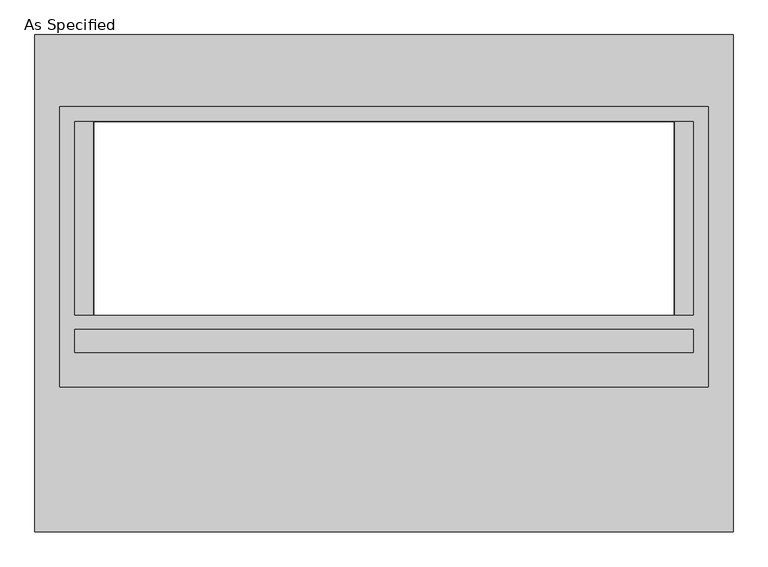
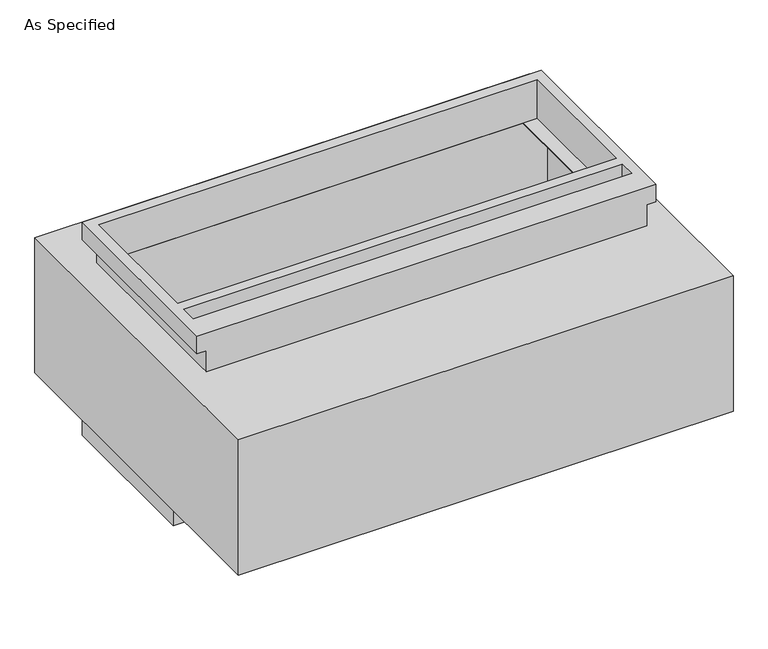
"""IFC4 building model written with IfcOpenShell, lengths in millimetres: proxy geometry, As Specified."""

import ifcopenshell
import ifcopenshell.guid

model = None  # the IFC model being written
_history = None  # IfcOwnerHistory: only IFC2X3 demands one
_inside = {}  # id of a spatial element -> (the spatial element, [elements in it])
_under = {}  # id of a project, library or spatial element -> (it, [spatial elements below it])
_declared = {}  # id of a project -> (the project, [libraries it declares])
_typed = {}  # id of a type object -> (the type object, [elements of that type])
_made_of = {}  # id of a material, layer set ... -> (it, [elements and type objects made of it])


def new_model(schema):
    """Start an empty IFC model of exactly this schema.

    Asked for "IFC4X3", IfcOpenShell would pick the latest addendum, in which some entities
    have other attributes; the version numbers below select the first issue.
    IFC2X3 requires an IfcOwnerHistory on every rooted entity: one is made here for all.
    """
    global model, _history
    if schema == "IFC4X3":
        model = ifcopenshell.file(schema_version=(4, 3, 0, 0))
    else:
        model = ifcopenshell.file(schema=schema)
    _inside.clear()
    _under.clear()
    _declared.clear()
    _typed.clear()
    _made_of.clear()
    _history = None
    if model.schema == "IFC2X3":
        org = make("IfcOrganization", Name="unknown")
        user = make(
            "IfcPersonAndOrganization",
            ThePerson=make("IfcPerson", FamilyName="unknown"),
            TheOrganization=org,
        )
        app = make(
            "IfcApplication",
            ApplicationDeveloper=org,
            Version="unknown",
            ApplicationFullName="unknown",
            ApplicationIdentifier="unknown",
        )
        _history = make(
            "IfcOwnerHistory",
            OwningUser=user,
            OwningApplication=app,
            ChangeAction="ADDED",
            CreationDate=0,
        )
    return model


def make(cls, **values):
    """One entity of the class cls with the attributes given. An attribute that is None is left unset."""
    return model.create_entity(
        cls, **{name: value for name, value in values.items() if value is not None}
    )


def rooted(cls, **values):
    """An entity with a GlobalId (a new one), such as an element, a storey or a relation."""
    return make(cls, GlobalId=ifcopenshell.guid.new(), OwnerHistory=_history, **values)


def si_unit(unit_type, name, prefix=None):
    """IfcSIUnit, for example si_unit("LENGTHUNIT", "METRE", prefix="MILLI")."""
    return make("IfcSIUnit", UnitType=unit_type, Prefix=prefix, Name=name)


def assignment(units):
    """IfcUnitAssignment: the units of a project."""
    return None if units is None else make("IfcUnitAssignment", Units=units)


def point(xyz):
    """IfcCartesianPoint."""
    return None if xyz is None else make("IfcCartesianPoint", Coordinates=xyz)


def direction(xyz):
    """IfcDirection."""
    return None if xyz is None else make("IfcDirection", DirectionRatios=xyz)


def frame(location, z_axis=None, x_axis=None):
    """IfcAxis2Placement3D, a coordinate frame: its origin and axes. An axis left out is left unset."""
    return make(
        "IfcAxis2Placement3D",
        Location=point(location),
        Axis=direction(z_axis),
        RefDirection=direction(x_axis),
    )


def origin():
    """The frame at (0, 0, 0) with its axes left unset."""
    return frame((0.0, 0.0, 0.0))


def place(relative_to, where):
    """IfcLocalPlacement: puts the frame where relative to a parent placement (None: the world)."""
    return make(
        "IfcLocalPlacement", PlacementRelTo=relative_to, RelativePlacement=where
    )


def context(
    kind, dimensions, precision=None, world=None, true_north=None, identifier=None
):
    """IfcGeometricRepresentationContext, for example the 3D "Model" context."""
    return make(
        "IfcGeometricRepresentationContext",
        ContextIdentifier=identifier,
        ContextType=kind,
        CoordinateSpaceDimension=dimensions,
        Precision=precision,
        WorldCoordinateSystem=world,
        TrueNorth=true_north,
    )


def project(units=None, contexts=None):
    """IfcProject with its units and contexts."""
    return rooted(
        "IfcProject",
        Name="project",
        RepresentationContexts=contexts,
        UnitsInContext=assignment(units),
    )


def spatial(cls, under=None, at=None, **own):
    """A site, building, storey or space (cls), placed at a placement, below another one or the project."""
    s = rooted(cls, ObjectPlacement=at, **own)
    if under is not None:
        _under.setdefault(under.id(), (under, []))[1].append(s)
    return s


def polyline(points):
    """IfcPolyline through the points."""
    return make("IfcPolyline", Points=[point(p) for p in points])


def circle_curve(where, radius):
    """IfcCircle in the frame where."""
    return make("IfcCircle", Position=where, Radius=radius)


def faces_of(points, faces, orient=None, outer=None):
    """IfcFace entities. A face is a list of loops; a loop is a list of indices into points, from 0.

    orient and outer hold one flag for each loop. By default every Orientation is true, the
    first loop of a face is its IfcFaceOuterBound and the others are IfcFaceBound.
    """
    made = []
    for i, loops in enumerate(faces):
        bounds = []
        for j, loop in enumerate(loops):
            is_outer = j == 0 if outer is None else outer[i][j]
            bounds.append(
                make(
                    "IfcFaceOuterBound" if is_outer else "IfcFaceBound",
                    Bound=make("IfcPolyLoop", Polygon=[points[k] for k in loop]),
                    Orientation=True if orient is None else orient[i][j],
                )
            )
        made.append(make("IfcFace", Bounds=bounds))
    return made


def faceted_brep(points, faces, orient=None, outer=None, voids=None):
    """IfcFacetedBrep: a solid bounded by flat faces; with voids (closed shells), ...WithVoids."""
    shared = [point(p) for p in points]
    hull = make("IfcClosedShell", CfsFaces=faces_of(shared, faces, orient, outer))
    if voids is None:
        return make("IfcFacetedBrep", Outer=hull)
    return make(
        "IfcFacetedBrepWithVoids",
        Outer=hull,
        Voids=[
            make(cls, CfsFaces=faces_of(shared, fs, o, b)) for cls, fs, o, b in voids
        ],
    )


def shape(context_of_items, identifier, shape_type, items):
    """IfcShapeRepresentation: the items that make up one representation, for example the "Body"."""
    return make(
        "IfcShapeRepresentation",
        ContextOfItems=context_of_items,
        RepresentationIdentifier=identifier,
        RepresentationType=shape_type,
        Items=items,
    )


def source(mapping_origin, context_of_items, identifier, shape_type, items):
    """IfcRepresentationMap: a shape defined once, which mapped items show again and again."""
    return make(
        "IfcRepresentationMap",
        MappingOrigin=mapping_origin,
        MappedRepresentation=shape(context_of_items, identifier, shape_type, items),
    )


def transform(
    local_origin,
    x_axis=None,
    y_axis=None,
    z_axis=None,
    scale=None,
    scale2=None,
    scale3=None,
    uniform=True,
):
    """IfcCartesianTransformationOperator3D, or its non-uniform kind. x_axis, y_axis, z_axis: its Axis1, 2, 3."""
    if uniform:
        return make(
            "IfcCartesianTransformationOperator3D",
            Axis1=direction(x_axis),
            Axis2=direction(y_axis),
            LocalOrigin=point(local_origin),
            Scale=scale,
            Axis3=direction(z_axis),
        )
    return make(
        "IfcCartesianTransformationOperator3DnonUniform",
        Axis1=direction(x_axis),
        Axis2=direction(y_axis),
        LocalOrigin=point(local_origin),
        Scale=scale,
        Axis3=direction(z_axis),
        Scale2=scale2,
        Scale3=scale3,
    )


def mapped(mapping_source, mapping_target):
    """IfcMappedItem: shows the shape of a source again, moved by a transform."""
    return make(
        "IfcMappedItem", MappingSource=mapping_source, MappingTarget=mapping_target
    )


def made_of(thing, what):
    """Note that an element or type object is made of a material, layer set ...; save() writes the relation."""
    if what is not None:
        _made_of.setdefault(what.id(), (what, []))[1].append(thing)
    return thing


def element(
    cls,
    number,
    at=None,
    inside=None,
    cuts=None,
    type_object=None,
    material=None,
    context=None,
    identifier="Body",
    shape_type=None,
    held_by="IfcProductDefinitionShape",
    body=None,
    shapes=None,
    **own,
):
    """One element of the class cls, such as IfcWall. Its Tag is "e" and its number.

    at: its placement. inside: the storey or other place that contains it. cuts: it is an
    opening in that element (IfcRelVoidsElement). A single representation is given by context,
    identifier, shape_type and body (its items); several are given by shapes. held_by: the class
    of the entity that holds the representations. save() writes the other relations.
    """
    e = rooted(cls, Tag="e%d" % number, ObjectPlacement=at, **own)
    if body is not None:
        shapes = [shape(context, identifier, shape_type, body)]
    if shapes is not None:
        e.Representation = make(held_by, Representations=shapes)
    if inside is not None:
        _inside.setdefault(inside.id(), (inside, []))[1].append(e)
    if cuts is not None:
        rooted(
            "IfcRelVoidsElement", RelatingBuildingElement=cuts, RelatedOpeningElement=e
        )
    if type_object is not None:
        _typed.setdefault(type_object.id(), (type_object, []))[1].append(e)
    return made_of(e, material)


def aggregate(whole, parts):
    """IfcRelAggregates: a whole, such as a stair, and the parts it consists of."""
    return rooted("IfcRelAggregates", RelatingObject=whole, RelatedObjects=parts)


def save(model, path):
    """Write the relations noted so far, then the file.

    IfcRelAggregates (storeys below a building ...), IfcRelContainedInSpatialStructure (elements
    in a storey), IfcRelDefinesByType, IfcRelAssociatesMaterial and IfcRelDeclares: one each for
    every whole, place, type object, material and project.
    """
    for whole, parts in _under.values():
        aggregate(whole, parts)
    for where, things in _inside.values():
        rooted(
            "IfcRelContainedInSpatialStructure",
            RelatedElements=things,
            RelatingStructure=where,
        )
    for kind, things in _typed.values():
        rooted("IfcRelDefinesByType", RelatedObjects=things, RelatingType=kind)
    for what, things in _made_of.values():
        rooted("IfcRelAssociatesMaterial", RelatedObjects=things, RelatingMaterial=what)
    for by, libraries in _declared.values():
        rooted("IfcRelDeclares", RelatingContext=by, RelatedDefinitions=libraries)
    model.write(path)


def plane_surface(at):
    """IfcPlane: the flat surface through the origin of the frame at, square to its z axis."""
    return make("IfcPlane", Position=at)


def revolved_surface(curve, axis_point, axis_direction):
    """IfcSurfaceOfRevolution: the curve turned about the line through axis_point along axis_direction."""
    return make(
        "IfcSurfaceOfRevolution",
        SweptCurve=make("IfcArbitraryOpenProfileDef", ProfileType="CURVE", Curve=curve),
        AxisPosition=make("IfcAxis1Placement", Location=point(axis_point), Axis=direction(axis_direction)),
    )


def advanced_brep(points, edges, surfaces, faces):
    """IfcAdvancedBrep: a solid bounded by faces that lie on surfaces and meet in shared edges.

    An edge is (start, end): straight between two places in points (the first is 0);
    or (start, end, curve); or (start, end, curve, False) where it runs against its curve.
    A face is (place in surfaces, loops), or (place, loops, False) where it looks against
    its surface's normal. A loop lists edges by number (the first is 1), with a minus sign
    where the edge is run from its end to its start. The first loop is the outer one.
    """
    corners = [point(p) for p in points]
    vertices = [make("IfcVertexPoint", VertexGeometry=c) for c in corners]
    made = []
    for start, end, *more in edges:
        made.append(
            make(
                "IfcEdgeCurve",
                EdgeStart=vertices[start],
                EdgeEnd=vertices[end],
                EdgeGeometry=more[0] if more else make("IfcPolyline", Points=[corners[start], corners[end]]),
                SameSense=more[1] if len(more) > 1 else True,
            )
        )
    hull = []
    for where, loops, *sense in faces:
        bounds = []
        for j, loop in enumerate(loops):
            ring = [make("IfcOrientedEdge", EdgeElement=made[abs(k) - 1], Orientation=k > 0) for k in loop]
            bounds.append(
                make(
                    "IfcFaceOuterBound" if j == 0 else "IfcFaceBound",
                    Bound=make("IfcEdgeLoop", EdgeList=ring),
                    Orientation=True,
                )
            )
        hull.append(make("IfcAdvancedFace", Bounds=bounds, FaceSurface=surfaces[where], SameSense=sense[0] if sense else True))
    return make("IfcAdvancedBrep", Outer=make("IfcClosedShell", CfsFaces=hull))


def as_specified_d4ae8bfc(model_context):
    return source(origin(), model_context, "Body", "SolidModel", [
        faceted_brep([(850.9, 464.2941406, -682.7242188), (850.9, -119.9058594, -682.7242188), (-850.9, -119.9058594, -682.7242188), (-850.9, 464.2941406, -682.7242188), (812.8, -83.3933594, -682.7242188), (812.8, 424.6066406, -682.7242188), (-812.8, 424.6066406, -682.7242188), (-812.8, -83.3933594, -682.7242188), (-815.975, -119.9058594, -530.3242188), (815.975, -119.9058594, -530.3242188), (815.975, 429.3691406, -530.3242188), (-815.975, 429.3691406, -530.3242188), (812.8, 424.6066406, -530.3242188), (812.8, -83.3933594, -530.3242188), (-812.8, -83.3933594, -530.3242188), (-812.8, 424.6066406, -530.3242188), (-850.9, 464.2941406, -612.8742188), (850.9, 464.2941406, -612.8742188), (-850.9, -119.9058594, -612.8742188), (850.9, -119.9058594, -612.8742188), (815.975, -119.9058594, -612.8742188), (-815.975, -119.9058594, -612.8742188), (-815.975, 429.3691406, -612.8742188), (815.975, 429.3691406, -612.8742188)], [[[0, 1, 2, 3], [4, 5, 6, 7]], [[8, 9, 10, 11], [12, 13, 14, 15]], [[0, 3, 16, 17]], [[3, 2, 18, 16]], [[2, 1, 19, 20, 9, 8, 21, 18]], [[1, 0, 17, 19]], [[22, 23, 20, 19, 17, 16, 18, 21]], [[23, 10, 9, 20]], [[23, 22, 11, 10]], [[11, 22, 21, 8]], [[12, 5, 4, 13]], [[13, 4, 7, 14]], [[14, 7, 6, 15]], [[5, 12, 15, 6]]]),
        advanced_brep(
        [(916.78125, 653.3058594, -530.3242188), (916.78125, -653.3058594, -530.3242188), (-916.78125, -653.3058594, -530.3242188), (-916.78125, 653.3058594, -530.3242188), (762.0, -83.3933594, -530.3242188), (762.0, 424.6066406, -530.3242188), (-762.0, 424.6066406, -530.3242188), (-762.0, -83.3933594, -530.3242188), (916.78125, 653.3058594, 0.0), (-916.78125, 653.3058594, 0.0), (-916.78125, -653.3058594, 0.0), (916.78125, -653.3058594, 0.0), (762.0, 424.6066406, 0.0), (762.0, -83.3933594, 0.0), (-762.0, -83.3933594, 0.0), (-762.0, 424.6066406, 0.0), (916.78125, -272.3058594, -430.3117188), (916.78125, -294.5308594, -430.3117188), (916.78125, -170.7058594, -430.3117188), (916.78125, -192.9308594, -430.3117188), (916.78125, -272.3058594, -100.1117188), (916.78125, -294.5308594, -100.1117188), (916.78125, -170.7058594, -100.1117188), (916.78125, -192.9308594, -100.1117188), (-850.9, 424.6066406, -527.05), (-850.9, -83.3933594, -527.05), (-762.0, -83.3933594, -527.05), (-762.0, 424.6066406, -527.05), (850.9, -83.3933594, -527.05), (850.9, 424.6066406, -527.05), (762.0, 424.6066406, -527.05), (762.0, -83.3933594, -527.05), (850.9, 424.6066406, -3.175), (850.9, -83.3933594, -3.175), (762.0, -83.3933594, -3.175), (762.0, 424.6066406, -3.175), (-850.9, -83.3933594, -3.175), (-850.9, 424.6066406, -3.175), (-762.0, 424.6066406, -3.175), (-762.0, -83.3933594, -3.175), (900.928271, -294.5308594, -430.3117188), (900.928271, -272.3058594, -430.3117188), (900.928271, -192.9308594, -430.3117188), (900.928271, -170.7058594, -430.3117188), (900.928271, -294.5308594, -100.1117188), (900.928271, -272.3058594, -100.1117188), (900.928271, -192.9308594, -100.1117188), (900.928271, -170.7058594, -100.1117188)],
        [
            (0, 1),
            (1, 2),
            (2, 3),
            (3, 0),
            (4, 5),
            (5, 6),
            (6, 7),
            (7, 4),
            (8, 9),
            (9, 10),
            (10, 11),
            (11, 8),
            (12, 13),
            (13, 14),
            (14, 15),
            (15, 12),
            (3, 9),
            (8, 0),
            (2, 10),
            (1, 11),
            (16, 17, circle_curve(frame((916.78125, -283.4183594, -430.3117188), z_axis=(-1.0, 0.0, 0.0), x_axis=(0.0, 1.0, 0.0)), 11.1125)),
            (17, 16, circle_curve(frame((916.78125, -283.4183594, -430.3117188), z_axis=(-1.0, 0.0, 0.0), x_axis=(0.0, 1.0, 0.0)), 11.1125)),
            (18, 19, circle_curve(frame((916.78125, -181.8183594, -430.3117188), z_axis=(-1.0, 0.0, 0.0), x_axis=(0.0, 1.0, 0.0)), 11.1125)),
            (19, 18, circle_curve(frame((916.78125, -181.8183594, -430.3117188), z_axis=(-1.0, 0.0, 0.0), x_axis=(0.0, 1.0, 0.0)), 11.1125)),
            (20, 21, circle_curve(frame((916.78125, -283.4183594, -100.1117188), z_axis=(-1.0, 0.0, 0.0), x_axis=(0.0, 1.0, 0.0)), 11.1125)),
            (21, 20, circle_curve(frame((916.78125, -283.4183594, -100.1117188), z_axis=(-1.0, 0.0, 0.0), x_axis=(0.0, 1.0, 0.0)), 11.1125)),
            (22, 23, circle_curve(frame((916.78125, -181.8183594, -100.1117188), z_axis=(-1.0, 0.0, 0.0), x_axis=(0.0, 1.0, 0.0)), 11.1125)),
            (23, 22, circle_curve(frame((916.78125, -181.8183594, -100.1117188), z_axis=(-1.0, 0.0, 0.0), x_axis=(0.0, 1.0, 0.0)), 11.1125)),
            (24, 25),
            (25, 26),
            (26, 27),
            (27, 24),
            (28, 29),
            (29, 30),
            (30, 31),
            (31, 28),
            (32, 33),
            (33, 34),
            (34, 35),
            (35, 32),
            (36, 37),
            (37, 38),
            (38, 39),
            (39, 36),
            (28, 33),
            (32, 29),
            (31, 4),
            (7, 26),
            (25, 36),
            (39, 14),
            (13, 34),
            (24, 37),
            (35, 12),
            (15, 38),
            (27, 6),
            (5, 30),
            (40, 41, circle_curve(frame((900.928271, -283.4183594, -430.3117188), z_axis=(1.0, 0.0, 0.0), x_axis=(0.0, 1.0, 0.0)), 11.1125)),
            (41, 40, circle_curve(frame((900.928271, -283.4183594, -430.3117188), z_axis=(1.0, 0.0, 0.0), x_axis=(0.0, 1.0, 0.0)), 11.1125)),
            (42, 43, circle_curve(frame((900.928271, -181.8183594, -430.3117188), z_axis=(1.0, 0.0, 0.0), x_axis=(0.0, 1.0, 0.0)), 11.1125)),
            (43, 42, circle_curve(frame((900.928271, -181.8183594, -430.3117188), z_axis=(1.0, 0.0, 0.0), x_axis=(0.0, 1.0, 0.0)), 11.1125)),
            (44, 45, circle_curve(frame((900.928271, -283.4183594, -100.1117188), z_axis=(1.0, 0.0, 0.0), x_axis=(0.0, 1.0, 0.0)), 11.1125)),
            (45, 44, circle_curve(frame((900.928271, -283.4183594, -100.1117188), z_axis=(1.0, 0.0, 0.0), x_axis=(0.0, 1.0, 0.0)), 11.1125)),
            (46, 47, circle_curve(frame((900.928271, -181.8183594, -100.1117188), z_axis=(1.0, 0.0, 0.0), x_axis=(0.0, 1.0, 0.0)), 11.1125)),
            (47, 46, circle_curve(frame((900.928271, -181.8183594, -100.1117188), z_axis=(1.0, 0.0, 0.0), x_axis=(0.0, 1.0, 0.0)), 11.1125)),
            (40, 17),
            (16, 41),
            (42, 19),
            (18, 43),
            (44, 21),
            (20, 45),
            (46, 23),
            (22, 47),
        ],
        [
            plane_surface(frame((-916.78125, 653.3058594, -530.3242188), z_axis=(0.0, 0.0, -1.0), x_axis=(1.0, 0.0, 0.0))),
            plane_surface(frame((-916.78125, 653.3058594, 0.0), z_axis=(0.0, 0.0, 1.0), x_axis=(-1.0, 0.0, 0.0))),
            plane_surface(frame((916.78125, 653.3058594, 0.0), z_axis=(0.0, 1.0, 0.0), x_axis=(0.0, 0.0, -1.0))),
            plane_surface(frame((-916.78125, 653.3058594, 0.0), z_axis=(-1.0, 0.0, 0.0), x_axis=(0.0, 0.0, -1.0))),
            plane_surface(frame((-916.78125, -653.3058594, 0.0), z_axis=(0.0, -1.0, 0.0), x_axis=(0.0, 0.0, -1.0))),
            plane_surface(frame((916.78125, -653.3058594, 0.0), z_axis=(1.0, 0.0, 0.0), x_axis=(0.0, 0.0, -1.0))),
            plane_surface(frame((850.9, 424.6066406, -527.05), z_axis=(0.0, 0.0, 1.0), x_axis=(0.0, -1.0, 0.0))),
            plane_surface(frame((850.9, 424.6066406, -3.175), z_axis=(0.0, 0.0, -1.0), x_axis=(0.0, 1.0, 0.0))),
            plane_surface(frame((850.9, 424.6066406, -527.05), z_axis=(-1.0, 0.0, 0.0), x_axis=(0.0, 0.0, 1.0))),
            plane_surface(frame((850.9, -83.3933594, -527.05), z_axis=(0.0, 1.0, 0.0), x_axis=(0.0, 0.0, 1.0))),
            plane_surface(frame((-850.9, -83.3933594, -527.05), z_axis=(1.0, 0.0, 0.0), x_axis=(0.0, 0.0, 1.0))),
            plane_surface(frame((-850.9, 424.6066406, -527.05), z_axis=(0.0, -1.0, 0.0), x_axis=(0.0, 0.0, 1.0))),
            plane_surface(frame((762.0, 424.6066406, -25.4), z_axis=(-1.0, 0.0, 0.0), x_axis=(0.0, 0.0, 1.0))),
            plane_surface(frame((-762.0, -83.3933594, -25.4), z_axis=(1.0, 0.0, 0.0), x_axis=(0.0, 0.0, 1.0))),
            plane_surface(frame((900.928271, -272.3058594, -430.3117188), z_axis=(1.0, 0.0, 0.0), x_axis=(0.0, 0.0, -1.0))),
            revolved_surface(polyline([(916.78125, -272.3058594, -430.3117188), (900.928271, -272.3058594, -430.3117188)]), (900.928271, -283.4183594, -430.3117188), (1.0, 0.0, 0.0)),
            revolved_surface(polyline([(916.78125, -170.70585939999998, -430.3117188), (900.928271, -170.70585939999998, -430.3117188)]), (0.0, -181.8183594, -430.3117188), (1.0, 0.0, 0.0)),
            revolved_surface(polyline([(916.78125, -272.3058594, -100.1117188), (900.928271, -272.3058594, -100.1117188)]), (0.0, -283.4183594, -100.1117188), (1.0, 0.0, 0.0)),
            revolved_surface(polyline([(916.78125, -170.70585939999998, -100.1117188), (900.928271, -170.70585939999998, -100.1117188)]), (0.0, -181.8183594, -100.1117188), (1.0, 0.0, 0.0)),
            plane_surface(frame((762.0, -83.3933594, -504.9242188), z_axis=(-1.0, 0.0, 0.0), x_axis=(0.0, 0.0, -1.0))),
            plane_surface(frame((-762.0, 424.6066406, -504.9242187), z_axis=(1.0, 0.0, 0.0), x_axis=(0.0, 0.0, -1.0))),
        ],
        [
            (0, [[1, 2, 3, 4], [5, 6, 7, 8]]),
            (1, [[9, 10, 11, 12], [13, 14, 15, 16]]),
            (2, [[-4, 17, -9, 18]]),
            (3, [[-3, 19, -10, -17]]),
            (4, [[-2, 20, -11, -19]]),
            (5, [[-1, -18, -12, -20], [21, 22], [23, 24], [25, 26], [27, 28]]),
            (6, [[29, 30, 31, 32]]),
            (6, [[33, 34, 35, 36]]),
            (7, [[37, 38, 39, 40]]),
            (7, [[41, 42, 43, 44]]),
            (8, [[-33, 45, -37, 46]]),
            (9, [[-45, -36, 47, -8, 48, -30, 49, -44, 50, -14, 51, -38]]),
            (10, [[-29, 52, -41, -49]]),
            (11, [[-46, -40, 53, -16, 54, -42, -52, -32, 55, -6, 56, -34]]),
            (12, [[-53, -39, -51, -13]]),
            (13, [[-50, -43, -54, -15]]),
            (14, [[57, 58]]),
            (14, [[59, 60]]),
            (14, [[61, 62]]),
            (14, [[63, 64]]),
            (15, [[-57, 65, -21, 66]]),
            (15, [[-58, -66, -22, -65]]),
            (16, [[-59, 67, -23, 68]]),
            (16, [[-60, -68, -24, -67]]),
            (17, [[-61, 69, -25, 70]]),
            (17, [[-62, -70, -26, -69]]),
            (18, [[-63, 71, -27, 72]]),
            (18, [[-64, -72, -28, -71]]),
            (19, [[-47, -35, -56, -5]]),
            (20, [[-48, -7, -55, -31]]),
        ],
    ),
        faceted_brep([(850.9, 464.2941406, 152.4), (-850.9, 464.2941406, 152.4), (-850.9, -272.3058594, 152.4), (850.9, -272.3058594, 152.4), (812.8, 424.6066406, 152.4), (812.8, -83.3933594, 152.4), (-812.8, -83.3933594, 152.4), (-812.8, 424.6066406, 152.4), (812.8, -121.4933594, 152.4), (812.8, -181.8183594, 152.4), (-812.8, -181.8183594, 152.4), (-812.8, -121.4933594, 152.4), (815.975, -272.3058594, 0.0), (-815.975, -272.3058594, 0.0), (-815.975, 429.3691406, 0.0), (815.975, 429.3691406, 0.0), (812.8, -83.3933594, 0.0), (812.8, 424.6066406, 0.0), (-812.8, 424.6066406, 0.0), (-812.8, -83.3933594, 0.0), (850.9, 464.2941406, 82.55), (-850.9, 464.2941406, 82.55), (-850.9, -272.3058594, 82.55), (-815.975, -272.3058594, 82.55), (815.975, -272.3058594, 82.55), (850.9, -272.3058594, 82.55), (815.975, 429.3691406, 82.55), (-815.975, 429.3691406, 82.55), (812.8, -121.4933594, 82.55), (-812.8, -121.4933594, 82.55), (-812.8, -181.8183594, 82.55), (812.8, -181.8183594, 82.55)], [[[0, 1, 2, 3], [4, 5, 6, 7], [8, 9, 10, 11]], [[12, 13, 14, 15], [16, 17, 18, 19]], [[1, 0, 20, 21]], [[2, 1, 21, 22]], [[3, 2, 22, 23, 13, 12, 24, 25]], [[0, 3, 25, 20]], [[24, 26, 27, 23, 22, 21, 20, 25]], [[26, 24, 12, 15]], [[27, 26, 15, 14]], [[23, 27, 14, 13]], [[16, 5, 4, 17]], [[5, 16, 19, 6]], [[6, 19, 18, 7]], [[17, 4, 7, 18]], [[28, 29, 30, 31]], [[28, 31, 9, 8]], [[31, 30, 10, 9]], [[30, 29, 11, 10]], [[29, 28, 8, 11]]]),
    ])


if __name__ == "__main__":
    model = new_model("IFC4")
    model_context = context("Model", 3, world=origin())
    ifc_project = project(units=[si_unit("LENGTHUNIT", "METRE", prefix="MILLI")], contexts=[model_context])
    site = spatial("IfcSite", under=ifc_project)
    building = spatial("IfcBuilding", under=site)
    placement = place(None, origin())
    as_specified_shape = as_specified_d4ae8bfc(model_context)
    element("IfcBuildingElementProxy", 1, Name="As Specified", ObjectType="As Specified", at=placement, inside=building, context=model_context, shape_type="MappedRepresentation", body=[
        mapped(as_specified_shape, transform((0.0, 0.0, 0.0), x_axis=(1.0, 0.0, 0.0), y_axis=(0.0, 1.0, 0.0), z_axis=(0.0, 0.0, 1.0))),
    ])
    save(model, "model.ifc")
